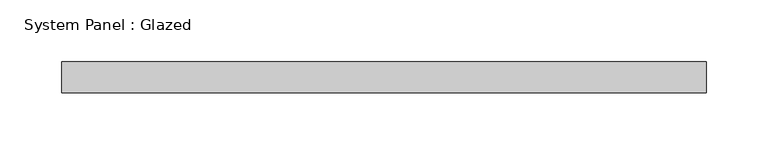
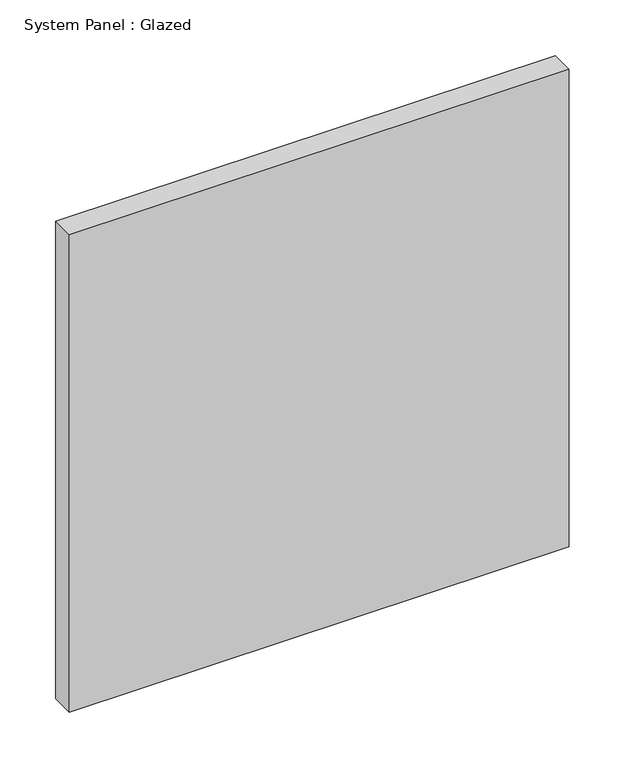
"""IFC4 building model written with IfcOpenShell, lengths in millimetres: plate geometry, System Panel : Glazed."""

from ifc_helpers import new_model, si_unit, origin, origin_with_axes, place, context, project, spatial, polyline, outline, extrude, source, transform, mapped, element, save


def system_panel_glazed_493ffa10(model_context):
    return source(origin(), model_context, "Body", "SweptSolid", [
        extrude(outline(polyline([(260.0, 24.5), (-260.0, 24.5), (-260.0, 49.5), (260.0, 49.5), (260.0, 24.5)])), origin_with_axes(), (0.0, 0.0, 1.0), 525.0),
    ])


if __name__ == "__main__":
    model = new_model("IFC4")
    model_context = context("Model", 3, world=origin())
    ifc_project = project(units=[si_unit("LENGTHUNIT", "METRE", prefix="MILLI")], contexts=[model_context])
    site = spatial("IfcSite", under=ifc_project)
    building = spatial("IfcBuilding", under=site)
    placement = place(None, origin())
    system_panel_glazed_shape = system_panel_glazed_493ffa10(model_context)
    element("IfcPlate", 1, ObjectType="System Panel : Glazed", at=placement, inside=building, context=model_context, shape_type="MappedRepresentation", body=[
        mapped(system_panel_glazed_shape, transform((0.0, 0.0, 0.0), x_axis=(1.0, 0.0, 0.0), y_axis=(0.0, 1.0, 0.0), z_axis=(0.0, 0.0, 1.0))),
    ])
    save(model, "model.ifc")
